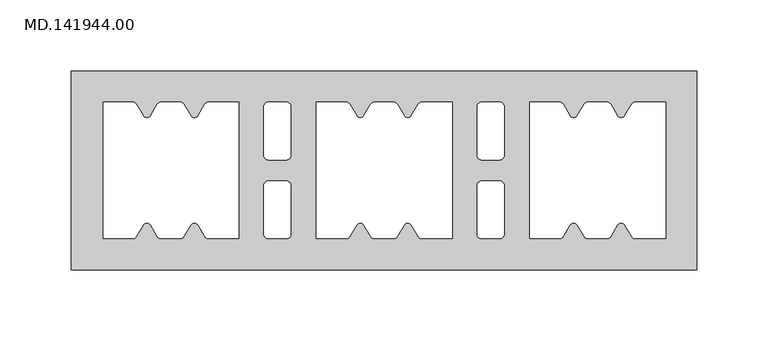
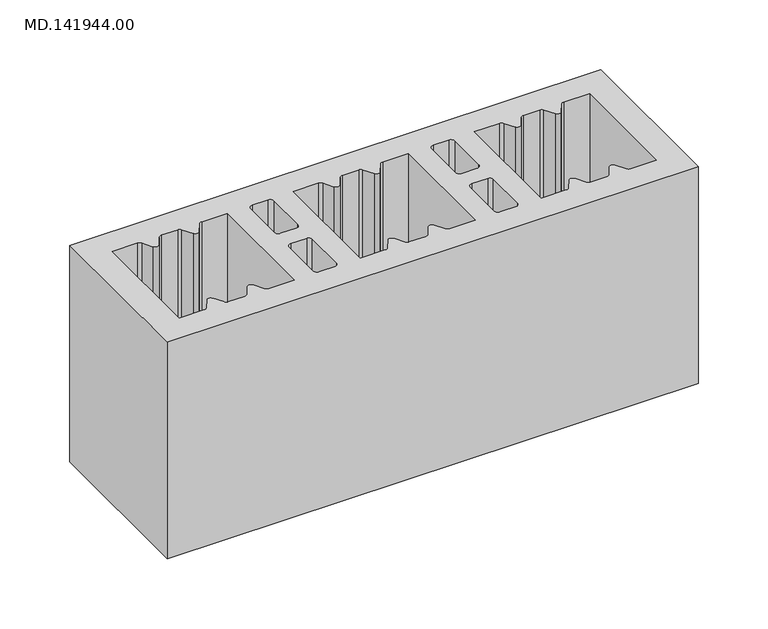
"""IFC4 building model written with IfcOpenShell, lengths in millimetres: proxy geometry, MD.141944.00."""

from ifc_helpers import new_model, si_unit, point, frame_2d, origin, origin_with_axes, place, context, project, spatial, polyline, circle_curve, trimmed, segment, composite_curve, outline, extrude, source, transform, mapped, element, save


def md_141944_00_267eb9af(model_context):
    return source(origin(), model_context, "Body", "SweptSolid", [
        extrude(outline(polyline([(445.0103516, 70.0050293), (445.0103516, -70.0050293), (5.0, -70.0050293), (5.0, 70.0050293), (445.0103516, 70.0050293)]), holes=[composite_curve([segment(polyline([(159.5, 10.5), (159.5, 45.0)]), True, "CONTINUOUS"), segment(trimmed(circle_curve(frame_2d((156.5, 45.0)), 3.0), [point((159.5, 45.0))], [point((156.5, 48.0))], True, "CARTESIAN"), True, "CONTINUOUS"), segment(polyline([(156.5, 48.0), (143.5, 48.0)]), True, "CONTINUOUS"), segment(trimmed(circle_curve(frame_2d((143.5, 45.0)), 3.0), [point((143.5, 48.0))], [point((140.5, 45.0))], True, "CARTESIAN"), True, "CONTINUOUS"), segment(polyline([(140.5, 45.0), (140.5, 10.5)]), True, "CONTINUOUS"), segment(trimmed(circle_curve(frame_2d((143.5, 10.5)), 3.0), [point((140.5, 10.5))], [point((143.5, 7.5))], True, "CARTESIAN"), True, "CONTINUOUS"), segment(polyline([(143.5, 7.5), (156.5, 7.5)]), True, "CONTINUOUS"), segment(trimmed(circle_curve(frame_2d((156.5, 10.5)), 3.0), [point((156.5, 7.5))], [point((159.5, 10.5))], True, "CARTESIAN"), True, "CONTINUOUS")], self_intersect=False), composite_curve([segment(trimmed(circle_curve(frame_2d((156.5, -10.5)), 3.0), [point((159.5, -10.5))], [point((156.5, -7.5))], True, "CARTESIAN"), True, "CONTINUOUS"), segment(polyline([(156.5, -7.5), (143.5, -7.5)]), True, "CONTINUOUS"), segment(trimmed(circle_curve(frame_2d((143.5, -10.5)), 3.0), [point((143.5, -7.5))], [point((140.5, -10.5))], True, "CARTESIAN"), True, "CONTINUOUS"), segment(polyline([(140.5, -10.5), (140.5, -45.0)]), True, "CONTINUOUS"), segment(trimmed(circle_curve(frame_2d((143.5, -45.0)), 3.0), [point((140.5, -45.0))], [point((143.5, -48.0))], True, "CARTESIAN"), True, "CONTINUOUS"), segment(polyline([(143.5, -48.0), (156.5, -48.0)]), True, "CONTINUOUS"), segment(trimmed(circle_curve(frame_2d((156.5, -45.0)), 3.0), [point((156.5, -48.0))], [point((159.5, -45.0))], True, "CARTESIAN"), True, "CONTINUOUS"), segment(polyline([(159.5, -45.0), (159.5, -10.5)]), True, "CONTINUOUS")], self_intersect=False), composite_curve([segment(trimmed(circle_curve(frame_2d((306.5, -10.5)), 3.0), [point((309.5, -10.5))], [point((306.5, -7.5))], True, "CARTESIAN"), True, "CONTINUOUS"), segment(polyline([(306.5, -7.5), (293.5, -7.5)]), True, "CONTINUOUS"), segment(trimmed(circle_curve(frame_2d((293.5, -10.5)), 3.0), [point((293.5, -7.5))], [point((290.5, -10.5))], True, "CARTESIAN"), True, "CONTINUOUS"), segment(polyline([(290.5, -10.5), (290.5, -45.0)]), True, "CONTINUOUS"), segment(trimmed(circle_curve(frame_2d((293.5, -45.0)), 3.0), [point((290.5, -45.0))], [point((293.5, -48.0))], True, "CARTESIAN"), True, "CONTINUOUS"), segment(polyline([(293.5, -48.0), (306.5, -48.0)]), True, "CONTINUOUS"), segment(trimmed(circle_curve(frame_2d((306.5, -45.0)), 3.0), [point((306.5, -48.0))], [point((309.5, -45.0))], True, "CARTESIAN"), True, "CONTINUOUS"), segment(polyline([(309.5, -45.0), (309.5, -10.5)]), True, "CONTINUOUS")], self_intersect=False), composite_curve([segment(polyline([(309.5, 10.5), (309.5, 45.0)]), True, "CONTINUOUS"), segment(trimmed(circle_curve(frame_2d((306.5, 45.0)), 3.0), [point((309.5, 45.0))], [point((306.5, 48.0))], True, "CARTESIAN"), True, "CONTINUOUS"), segment(polyline([(306.5, 48.0), (293.5, 48.0)]), True, "CONTINUOUS"), segment(trimmed(circle_curve(frame_2d((293.5, 45.0)), 3.0), [point((293.5, 48.0))], [point((290.5, 45.0))], True, "CARTESIAN"), True, "CONTINUOUS"), segment(polyline([(290.5, 45.0), (290.5, 10.5)]), True, "CONTINUOUS"), segment(trimmed(circle_curve(frame_2d((293.5, 10.5)), 3.0), [point((290.5, 10.5))], [point((293.5, 7.5))], True, "CARTESIAN"), True, "CONTINUOUS"), segment(polyline([(293.5, 7.5), (306.5, 7.5)]), True, "CONTINUOUS"), segment(trimmed(circle_curve(frame_2d((306.5, 10.5)), 3.0), [point((306.5, 7.5))], [point((309.5, 10.5))], True, "CARTESIAN"), True, "CONTINUOUS")], self_intersect=False), composite_curve([segment(trimmed(circle_curve(frame_2d((381.7091389, 45.0)), 3.0), [point((384.2895781, 46.5301417))], [point((381.7091389, 48.0))], True, "CARTESIAN"), True, "CONTINUOUS"), segment(polyline([(381.7091389, 48.0), (368.2908611, 48.0)]), True, "CONTINUOUS"), segment(trimmed(circle_curve(frame_2d((368.2908611, 45.0)), 3.0), [point((368.2908611, 48.0))], [point((365.7104219, 46.5301417))], True, "CARTESIAN"), True, "CONTINUOUS"), segment(polyline([(365.7104219, 46.5301417), (360.9137725, 38.4410462)]), True, "CONTINUOUS"), segment(trimmed(circle_curve(frame_2d((358.3333333, 39.9711879)), 3.0), [point((360.9137725, 38.4410462))], [point((355.7528941, 38.4410463))], False, "CARTESIAN"), True, "CONTINUOUS"), segment(polyline([(355.7528941, 38.4410463), (350.9562448, 46.5301417)]), True, "CONTINUOUS"), segment(trimmed(circle_curve(frame_2d((348.3758056, 45.0)), 3.0), [point((350.9562448, 46.5301417))], [point((348.3758056, 48.0))], True, "CARTESIAN"), True, "CONTINUOUS"), segment(polyline([(348.3758056, 48.0), (327.5, 48.0), (327.5, -48.0), (348.3758056, -48.0)]), True, "CONTINUOUS"), segment(trimmed(circle_curve(frame_2d((348.3758056, -45.0)), 3.0), [point((348.3758056, -48.0))], [point((350.9562448, -46.5301417))], True, "CARTESIAN"), True, "CONTINUOUS"), segment(polyline([(350.9562448, -46.5301417), (355.7528941, -38.4410463)]), True, "CONTINUOUS"), segment(trimmed(circle_curve(frame_2d((358.3333333, -39.9711879)), 3.0), [point((355.7528941, -38.4410463))], [point((360.9137725, -38.4410462))], False, "CARTESIAN"), True, "CONTINUOUS"), segment(polyline([(360.9137725, -38.4410462), (365.7104219, -46.5301417)]), True, "CONTINUOUS"), segment(trimmed(circle_curve(frame_2d((368.2908611, -45.0)), 3.0), [point((365.7104219, -46.5301417))], [point((368.2908611, -48.0))], True, "CARTESIAN"), True, "CONTINUOUS"), segment(polyline([(368.2908611, -48.0), (381.7091389, -48.0)]), True, "CONTINUOUS"), segment(trimmed(circle_curve(frame_2d((381.7091389, -45.0)), 3.0), [point((381.7091389, -48.0))], [point((384.2895781, -46.5301417))], True, "CARTESIAN"), True, "CONTINUOUS"), segment(polyline([(384.2895781, -46.5301417), (389.0862274, -38.4410463)]), True, "CONTINUOUS"), segment(trimmed(circle_curve(frame_2d((391.6666666, -39.9711879)), 3.0), [point((389.0862274, -38.4410463))], [point((394.2471058, -38.4410462))], False, "CARTESIAN"), True, "CONTINUOUS"), segment(polyline([(394.2471058, -38.4410462), (399.0437552, -46.5301417)]), True, "CONTINUOUS"), segment(trimmed(circle_curve(frame_2d((401.6241944, -45.0)), 3.0), [point((399.0437552, -46.5301417))], [point((401.6241944, -48.0))], True, "CARTESIAN"), True, "CONTINUOUS"), segment(polyline([(401.6241944, -48.0), (423.0, -48.0), (423.0, 48.0), (401.6241944, 48.0)]), True, "CONTINUOUS"), segment(trimmed(circle_curve(frame_2d((401.6241944, 45.0)), 3.0), [point((401.6241944, 48.0))], [point((399.0437552, 46.5301417))], True, "CARTESIAN"), True, "CONTINUOUS"), segment(polyline([(399.0437552, 46.5301417), (394.2471058, 38.4410462)]), True, "CONTINUOUS"), segment(trimmed(circle_curve(frame_2d((391.6666666, 39.9711879)), 3.0), [point((394.2471058, 38.4410462))], [point((389.0862274, 38.4410463))], False, "CARTESIAN"), True, "CONTINUOUS"), segment(polyline([(389.0862274, 38.4410463), (384.2895781, 46.5301417)]), True, "CONTINUOUS")], self_intersect=False), composite_curve([segment(trimmed(circle_curve(frame_2d((231.7091389, 45.0)), 3.0), [point((234.2895781, 46.5301417))], [point((231.7091389, 48.0))], True, "CARTESIAN"), True, "CONTINUOUS"), segment(polyline([(231.7091389, 48.0), (218.2908611, 48.0)]), True, "CONTINUOUS"), segment(trimmed(circle_curve(frame_2d((218.2908611, 45.0)), 3.0), [point((218.2908611, 48.0))], [point((215.7104219, 46.5301417))], True, "CARTESIAN"), True, "CONTINUOUS"), segment(polyline([(215.7104219, 46.5301417), (210.9137725, 38.4410462)]), True, "CONTINUOUS"), segment(trimmed(circle_curve(frame_2d((208.3333333, 39.9711879)), 3.0), [point((210.9137725, 38.4410462))], [point((205.7528941, 38.4410463))], False, "CARTESIAN"), True, "CONTINUOUS"), segment(polyline([(205.7528941, 38.4410463), (200.9562448, 46.5301417)]), True, "CONTINUOUS"), segment(trimmed(circle_curve(frame_2d((198.3758056, 45.0)), 3.0), [point((200.9562448, 46.5301417))], [point((198.3758056, 48.0))], True, "CARTESIAN"), True, "CONTINUOUS"), segment(polyline([(198.3758056, 48.0), (177.5, 48.0), (177.5, -48.0), (198.3758056, -48.0)]), True, "CONTINUOUS"), segment(trimmed(circle_curve(frame_2d((198.3758056, -45.0)), 3.0), [point((198.3758056, -48.0))], [point((200.9562448, -46.5301417))], True, "CARTESIAN"), True, "CONTINUOUS"), segment(polyline([(200.9562448, -46.5301417), (205.7528941, -38.4410463)]), True, "CONTINUOUS"), segment(trimmed(circle_curve(frame_2d((208.3333333, -39.9711879)), 3.0), [point((205.7528941, -38.4410463))], [point((210.9137725, -38.4410462))], False, "CARTESIAN"), True, "CONTINUOUS"), segment(polyline([(210.9137725, -38.4410462), (215.7104219, -46.5301417)]), True, "CONTINUOUS"), segment(trimmed(circle_curve(frame_2d((218.2908611, -45.0)), 3.0), [point((215.7104219, -46.5301417))], [point((218.2908611, -48.0))], True, "CARTESIAN"), True, "CONTINUOUS"), segment(polyline([(218.2908611, -48.0), (231.7091389, -48.0)]), True, "CONTINUOUS"), segment(trimmed(circle_curve(frame_2d((231.7091389, -45.0)), 3.0), [point((231.7091389, -48.0))], [point((234.2895781, -46.5301417))], True, "CARTESIAN"), True, "CONTINUOUS"), segment(polyline([(234.2895781, -46.5301417), (239.0862274, -38.4410463)]), True, "CONTINUOUS"), segment(trimmed(circle_curve(frame_2d((241.6666666, -39.9711879)), 3.0), [point((239.0862274, -38.4410463))], [point((244.2471058, -38.4410462))], False, "CARTESIAN"), True, "CONTINUOUS"), segment(polyline([(244.2471058, -38.4410462), (249.0437552, -46.5301417)]), True, "CONTINUOUS"), segment(trimmed(circle_curve(frame_2d((251.6241944, -45.0)), 3.0), [point((249.0437552, -46.5301417))], [point((251.6241944, -48.0))], True, "CARTESIAN"), True, "CONTINUOUS"), segment(polyline([(251.6241944, -48.0), (273.0, -48.0), (273.0, 48.0), (251.6241944, 48.0)]), True, "CONTINUOUS"), segment(trimmed(circle_curve(frame_2d((251.6241944, 45.0)), 3.0), [point((251.6241944, 48.0))], [point((249.0437552, 46.5301417))], True, "CARTESIAN"), True, "CONTINUOUS"), segment(polyline([(249.0437552, 46.5301417), (244.2471058, 38.4410462)]), True, "CONTINUOUS"), segment(trimmed(circle_curve(frame_2d((241.6666666, 39.9711879)), 3.0), [point((244.2471058, 38.4410462))], [point((239.0862274, 38.4410463))], False, "CARTESIAN"), True, "CONTINUOUS"), segment(polyline([(239.0862274, 38.4410463), (234.2895781, 46.5301417)]), True, "CONTINUOUS")], self_intersect=False), composite_curve([segment(trimmed(circle_curve(frame_2d((81.7091389, 45.0)), 3.0), [point((84.2895781, 46.5301417))], [point((81.7091389, 48.0))], True, "CARTESIAN"), True, "CONTINUOUS"), segment(polyline([(81.7091389, 48.0), (68.2908611, 48.0)]), True, "CONTINUOUS"), segment(trimmed(circle_curve(frame_2d((68.2908611, 45.0)), 3.0), [point((68.2908611, 48.0))], [point((65.7104219, 46.5301417))], True, "CARTESIAN"), True, "CONTINUOUS"), segment(polyline([(65.7104219, 46.5301417), (60.9137725, 38.4410462)]), True, "CONTINUOUS"), segment(trimmed(circle_curve(frame_2d((58.3333333, 39.9711879)), 3.0), [point((60.9137725, 38.4410462))], [point((55.7528941, 38.4410463))], False, "CARTESIAN"), True, "CONTINUOUS"), segment(polyline([(55.7528941, 38.4410463), (50.9562448, 46.5301417)]), True, "CONTINUOUS"), segment(trimmed(circle_curve(frame_2d((48.3758056, 45.0)), 3.0), [point((50.9562448, 46.5301417))], [point((48.3758056, 48.0))], True, "CARTESIAN"), True, "CONTINUOUS"), segment(polyline([(48.3758056, 48.0), (27.5, 48.0), (27.5, -48.0), (48.3758056, -48.0)]), True, "CONTINUOUS"), segment(trimmed(circle_curve(frame_2d((48.3758056, -45.0)), 3.0), [point((48.3758056, -48.0))], [point((50.9562448, -46.5301417))], True, "CARTESIAN"), True, "CONTINUOUS"), segment(polyline([(50.9562448, -46.5301417), (55.7528941, -38.4410463)]), True, "CONTINUOUS"), segment(trimmed(circle_curve(frame_2d((58.3333333, -39.9711879)), 3.0), [point((55.7528941, -38.4410463))], [point((60.9137725, -38.4410462))], False, "CARTESIAN"), True, "CONTINUOUS"), segment(polyline([(60.9137725, -38.4410462), (65.7104219, -46.5301417)]), True, "CONTINUOUS"), segment(trimmed(circle_curve(frame_2d((68.2908611, -45.0)), 3.0), [point((65.7104219, -46.5301417))], [point((68.2908611, -48.0))], True, "CARTESIAN"), True, "CONTINUOUS"), segment(polyline([(68.2908611, -48.0), (81.7091389, -48.0)]), True, "CONTINUOUS"), segment(trimmed(circle_curve(frame_2d((81.7091389, -45.0)), 3.0), [point((81.7091389, -48.0))], [point((84.2895781, -46.5301417))], True, "CARTESIAN"), True, "CONTINUOUS"), segment(polyline([(84.2895781, -46.5301417), (89.0862274, -38.4410463)]), True, "CONTINUOUS"), segment(trimmed(circle_curve(frame_2d((91.6666666, -39.9711879)), 3.0), [point((89.0862274, -38.4410463))], [point((94.2471058, -38.4410462))], False, "CARTESIAN"), True, "CONTINUOUS"), segment(polyline([(94.2471058, -38.4410462), (99.0437552, -46.5301417)]), True, "CONTINUOUS"), segment(trimmed(circle_curve(frame_2d((101.6241944, -45.0)), 3.0), [point((99.0437552, -46.5301417))], [point((101.6241944, -48.0))], True, "CARTESIAN"), True, "CONTINUOUS"), segment(polyline([(101.6241944, -48.0), (123.0, -48.0), (123.0, 48.0), (101.6241944, 48.0)]), True, "CONTINUOUS"), segment(trimmed(circle_curve(frame_2d((101.6241944, 45.0)), 3.0), [point((101.6241944, 48.0))], [point((99.0437552, 46.5301417))], True, "CARTESIAN"), True, "CONTINUOUS"), segment(polyline([(99.0437552, 46.5301417), (94.2471058, 38.4410462)]), True, "CONTINUOUS"), segment(trimmed(circle_curve(frame_2d((91.6666666, 39.9711879)), 3.0), [point((94.2471058, 38.4410462))], [point((89.0862274, 38.4410463))], False, "CARTESIAN"), True, "CONTINUOUS"), segment(polyline([(89.0862274, 38.4410463), (84.2895781, 46.5301417)]), True, "CONTINUOUS")], self_intersect=False)]), origin_with_axes(), (0.0, 0.0, 1.0), 190.0),
    ])


if __name__ == "__main__":
    model = new_model("IFC4")
    model_context = context("Model", 3, world=origin())
    ifc_project = project(units=[si_unit("LENGTHUNIT", "METRE", prefix="MILLI")], contexts=[model_context])
    site = spatial("IfcSite", under=ifc_project)
    building = spatial("IfcBuilding", under=site)
    placement = place(None, origin())
    md_141944_00_shape = md_141944_00_267eb9af(model_context)
    element("IfcBuildingElementProxy", 1, Name="MD.141944.00", ObjectType="MD.141944.00", at=placement, inside=building, context=model_context, shape_type="MappedRepresentation", body=[
        mapped(md_141944_00_shape, transform((0.0, 0.0, 0.0), x_axis=(1.0, 0.0, 0.0), y_axis=(0.0, 1.0, 0.0), z_axis=(0.0, 0.0, 1.0))),
    ])
    save(model, "model.ifc")
